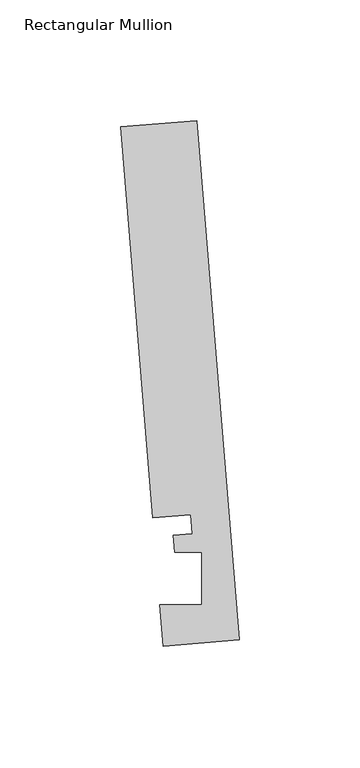
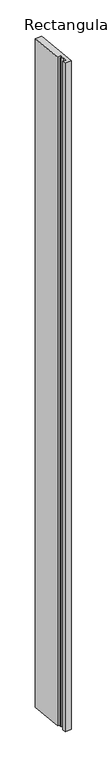
"""IFC4 building model written with IfcOpenShell, lengths in millimetres: member geometry, Rectangular Mullion."""

import ifcopenshell
import ifcopenshell.guid

model = None  # the IFC model being written
_history = None  # IfcOwnerHistory: only IFC2X3 demands one
_inside = {}  # id of a spatial element -> (the spatial element, [elements in it])
_under = {}  # id of a project, library or spatial element -> (it, [spatial elements below it])
_declared = {}  # id of a project -> (the project, [libraries it declares])
_typed = {}  # id of a type object -> (the type object, [elements of that type])
_made_of = {}  # id of a material, layer set ... -> (it, [elements and type objects made of it])


def new_model(schema):
    """Start an empty IFC model of exactly this schema.

    Asked for "IFC4X3", IfcOpenShell would pick the latest addendum, in which some entities
    have other attributes; the version numbers below select the first issue.
    IFC2X3 requires an IfcOwnerHistory on every rooted entity: one is made here for all.
    """
    global model, _history
    if schema == "IFC4X3":
        model = ifcopenshell.file(schema_version=(4, 3, 0, 0))
    else:
        model = ifcopenshell.file(schema=schema)
    _inside.clear()
    _under.clear()
    _declared.clear()
    _typed.clear()
    _made_of.clear()
    _history = None
    if model.schema == "IFC2X3":
        org = make("IfcOrganization", Name="unknown")
        user = make(
            "IfcPersonAndOrganization",
            ThePerson=make("IfcPerson", FamilyName="unknown"),
            TheOrganization=org,
        )
        app = make(
            "IfcApplication",
            ApplicationDeveloper=org,
            Version="unknown",
            ApplicationFullName="unknown",
            ApplicationIdentifier="unknown",
        )
        _history = make(
            "IfcOwnerHistory",
            OwningUser=user,
            OwningApplication=app,
            ChangeAction="ADDED",
            CreationDate=0,
        )
    return model


def make(cls, **values):
    """One entity of the class cls with the attributes given. An attribute that is None is left unset."""
    return model.create_entity(
        cls, **{name: value for name, value in values.items() if value is not None}
    )


def rooted(cls, **values):
    """An entity with a GlobalId (a new one), such as an element, a storey or a relation."""
    return make(cls, GlobalId=ifcopenshell.guid.new(), OwnerHistory=_history, **values)


def si_unit(unit_type, name, prefix=None):
    """IfcSIUnit, for example si_unit("LENGTHUNIT", "METRE", prefix="MILLI")."""
    return make("IfcSIUnit", UnitType=unit_type, Prefix=prefix, Name=name)


def assignment(units):
    """IfcUnitAssignment: the units of a project."""
    return None if units is None else make("IfcUnitAssignment", Units=units)


def point(xyz):
    """IfcCartesianPoint."""
    return None if xyz is None else make("IfcCartesianPoint", Coordinates=xyz)


def direction(xyz):
    """IfcDirection."""
    return None if xyz is None else make("IfcDirection", DirectionRatios=xyz)


def frame(location, z_axis=None, x_axis=None):
    """IfcAxis2Placement3D, a coordinate frame: its origin and axes. An axis left out is left unset."""
    return make(
        "IfcAxis2Placement3D",
        Location=point(location),
        Axis=direction(z_axis),
        RefDirection=direction(x_axis),
    )


def origin():
    """The frame at (0, 0, 0) with its axes left unset."""
    return frame((0.0, 0.0, 0.0))


def place(relative_to, where):
    """IfcLocalPlacement: puts the frame where relative to a parent placement (None: the world)."""
    return make(
        "IfcLocalPlacement", PlacementRelTo=relative_to, RelativePlacement=where
    )


def context(
    kind, dimensions, precision=None, world=None, true_north=None, identifier=None
):
    """IfcGeometricRepresentationContext, for example the 3D "Model" context."""
    return make(
        "IfcGeometricRepresentationContext",
        ContextIdentifier=identifier,
        ContextType=kind,
        CoordinateSpaceDimension=dimensions,
        Precision=precision,
        WorldCoordinateSystem=world,
        TrueNorth=true_north,
    )


def project(units=None, contexts=None):
    """IfcProject with its units and contexts."""
    return rooted(
        "IfcProject",
        Name="project",
        RepresentationContexts=contexts,
        UnitsInContext=assignment(units),
    )


def spatial(cls, under=None, at=None, **own):
    """A site, building, storey or space (cls), placed at a placement, below another one or the project."""
    s = rooted(cls, ObjectPlacement=at, **own)
    if under is not None:
        _under.setdefault(under.id(), (under, []))[1].append(s)
    return s


def polyline(points):
    """IfcPolyline through the points."""
    return make("IfcPolyline", Points=[point(p) for p in points])


def outline(outer, holes=None, kind="AREA"):
    """IfcArbitraryClosedProfileDef: a profile drawn as a closed curve; with holes, ...WithVoids."""
    if holes is None:
        return make("IfcArbitraryClosedProfileDef", ProfileType=kind, OuterCurve=outer)
    return make(
        "IfcArbitraryProfileDefWithVoids",
        ProfileType=kind,
        OuterCurve=outer,
        InnerCurves=holes,
    )


def extrude(swept, where, along, depth):
    """IfcExtrudedAreaSolid: the profile swept, set in the frame where, extruded along a direction by depth."""
    return make(
        "IfcExtrudedAreaSolid",
        SweptArea=swept,
        Position=where,
        ExtrudedDirection=direction(along),
        Depth=depth,
    )


def shape(context_of_items, identifier, shape_type, items):
    """IfcShapeRepresentation: the items that make up one representation, for example the "Body"."""
    return make(
        "IfcShapeRepresentation",
        ContextOfItems=context_of_items,
        RepresentationIdentifier=identifier,
        RepresentationType=shape_type,
        Items=items,
    )


def source(mapping_origin, context_of_items, identifier, shape_type, items):
    """IfcRepresentationMap: a shape defined once, which mapped items show again and again."""
    return make(
        "IfcRepresentationMap",
        MappingOrigin=mapping_origin,
        MappedRepresentation=shape(context_of_items, identifier, shape_type, items),
    )


def transform(
    local_origin,
    x_axis=None,
    y_axis=None,
    z_axis=None,
    scale=None,
    scale2=None,
    scale3=None,
    uniform=True,
):
    """IfcCartesianTransformationOperator3D, or its non-uniform kind. x_axis, y_axis, z_axis: its Axis1, 2, 3."""
    if uniform:
        return make(
            "IfcCartesianTransformationOperator3D",
            Axis1=direction(x_axis),
            Axis2=direction(y_axis),
            LocalOrigin=point(local_origin),
            Scale=scale,
            Axis3=direction(z_axis),
        )
    return make(
        "IfcCartesianTransformationOperator3DnonUniform",
        Axis1=direction(x_axis),
        Axis2=direction(y_axis),
        LocalOrigin=point(local_origin),
        Scale=scale,
        Axis3=direction(z_axis),
        Scale2=scale2,
        Scale3=scale3,
    )


def mapped(mapping_source, mapping_target):
    """IfcMappedItem: shows the shape of a source again, moved by a transform."""
    return make(
        "IfcMappedItem", MappingSource=mapping_source, MappingTarget=mapping_target
    )


def made_of(thing, what):
    """Note that an element or type object is made of a material, layer set ...; save() writes the relation."""
    if what is not None:
        _made_of.setdefault(what.id(), (what, []))[1].append(thing)
    return thing


def element(
    cls,
    number,
    at=None,
    inside=None,
    cuts=None,
    type_object=None,
    material=None,
    context=None,
    identifier="Body",
    shape_type=None,
    held_by="IfcProductDefinitionShape",
    body=None,
    shapes=None,
    **own,
):
    """One element of the class cls, such as IfcWall. Its Tag is "e" and its number.

    at: its placement. inside: the storey or other place that contains it. cuts: it is an
    opening in that element (IfcRelVoidsElement). A single representation is given by context,
    identifier, shape_type and body (its items); several are given by shapes. held_by: the class
    of the entity that holds the representations. save() writes the other relations.
    """
    e = rooted(cls, Tag="e%d" % number, ObjectPlacement=at, **own)
    if body is not None:
        shapes = [shape(context, identifier, shape_type, body)]
    if shapes is not None:
        e.Representation = make(held_by, Representations=shapes)
    if inside is not None:
        _inside.setdefault(inside.id(), (inside, []))[1].append(e)
    if cuts is not None:
        rooted(
            "IfcRelVoidsElement", RelatingBuildingElement=cuts, RelatedOpeningElement=e
        )
    if type_object is not None:
        _typed.setdefault(type_object.id(), (type_object, []))[1].append(e)
    return made_of(e, material)


def aggregate(whole, parts):
    """IfcRelAggregates: a whole, such as a stair, and the parts it consists of."""
    return rooted("IfcRelAggregates", RelatingObject=whole, RelatedObjects=parts)


def save(model, path):
    """Write the relations noted so far, then the file.

    IfcRelAggregates (storeys below a building ...), IfcRelContainedInSpatialStructure (elements
    in a storey), IfcRelDefinesByType, IfcRelAssociatesMaterial and IfcRelDeclares: one each for
    every whole, place, type object, material and project.
    """
    for whole, parts in _under.values():
        aggregate(whole, parts)
    for where, things in _inside.values():
        rooted(
            "IfcRelContainedInSpatialStructure",
            RelatedElements=things,
            RelatingStructure=where,
        )
    for kind, things in _typed.values():
        rooted("IfcRelDefinesByType", RelatedObjects=things, RelatingType=kind)
    for what, things in _made_of.values():
        rooted("IfcRelAssociatesMaterial", RelatedObjects=things, RelatingMaterial=what)
    for by, libraries in _declared.values():
        rooted("IfcRelDeclares", RelatingContext=by, RelatedDefinitions=libraries)
    model.write(path)


def rectangular_mullion_34e5cb70(model_context):
    return source(origin(), model_context, "Body", "SweptSolid", [
        extrude(outline(polyline([(-0.2190396, 2.6699364), (-31.8627302, 0.0739116), (-33.2772473, 17.315866), (-15.8506254, 17.315866), (-15.848851, 38.9474576), (-27.100463, 38.9474576), (-27.6861262, 46.0862742), (-19.7625461, 46.7363188), (-20.4084371, 54.6092691), (-36.2302824, 53.3112566), (-49.5364672, 215.5041572), (-17.8927766, 218.100182), (-0.2190396, 2.6699364)])), frame((0.0, 0.0, -3367.3651042), z_axis=(0.0, 0.0, 1.0), x_axis=(1.0, 0.0, 0.0)), (0.0, 0.0, 1.0), 3367.3651042),
    ])


if __name__ == "__main__":
    model = new_model("IFC4")
    model_context = context("Model", 3, world=origin())
    ifc_project = project(units=[si_unit("LENGTHUNIT", "METRE", prefix="MILLI")], contexts=[model_context])
    site = spatial("IfcSite", under=ifc_project)
    building = spatial("IfcBuilding", under=site)
    placement = place(None, origin())
    rectangular_mullion_shape = rectangular_mullion_34e5cb70(model_context)
    element("IfcMember", 1, ObjectType="Rectangular Mullion", at=placement, inside=building, context=model_context, shape_type="MappedRepresentation", body=[
        mapped(rectangular_mullion_shape, transform((0.0, 0.0, 0.0), x_axis=(1.0, 0.0, 0.0), y_axis=(0.0, 1.0, 0.0), z_axis=(0.0, 0.0, 1.0))),
    ])
    save(model, "model.ifc")
